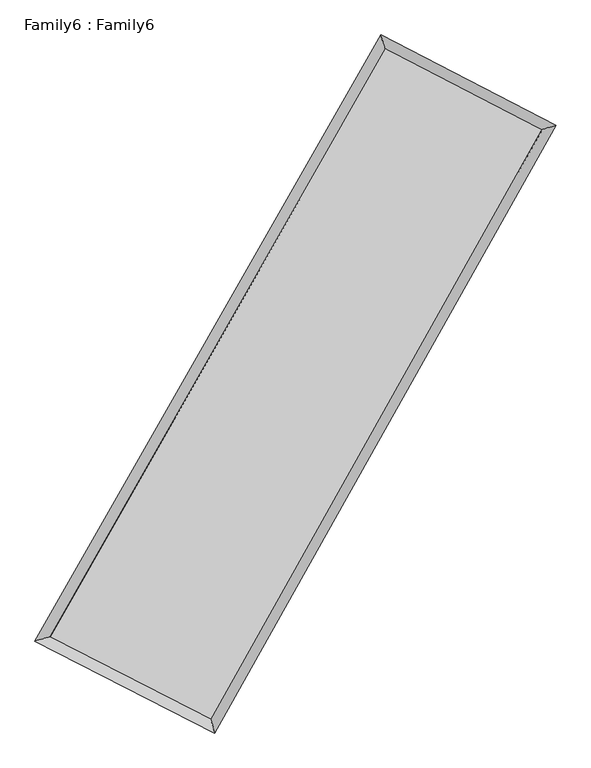
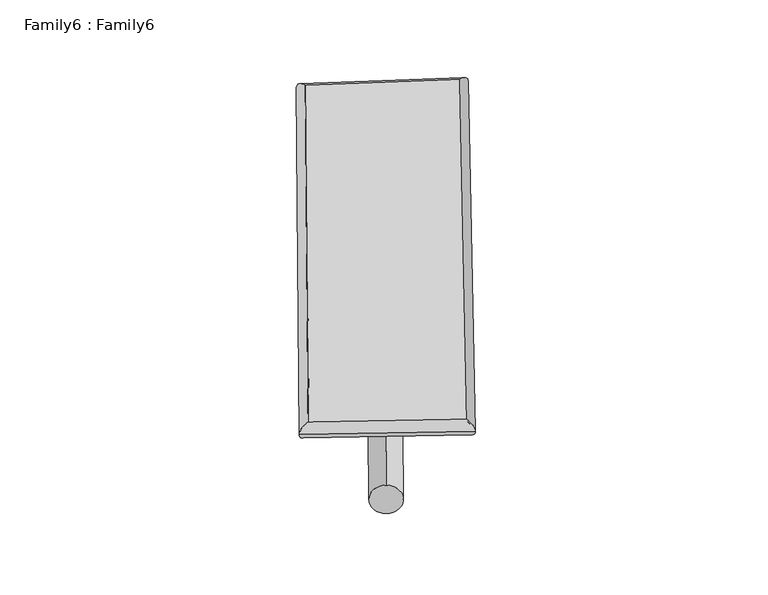
"""IFC4 building model written with IfcOpenShell, lengths in millimetres: plate geometry, Family6 : Family6."""

from ifc_helpers import new_model, si_unit, point, frame, origin, origin_2d, place, context, project, spatial, circle_curve, ellipse_curve, trimmed, segment, composite_curve, outline, extrude, source, transform, mapped, element, save
from ifc_brep_helpers import plane_surface, cylinder_surface, spline_surface, advanced_brep


def family6_family6_cff6f1fe(model_context):
    return source(origin(), model_context, "Body", "SolidModel", [
        extrude(outline(composite_curve([segment(trimmed(circle_curve(origin_2d(), 76.2), [point((-75.4341515, -10.7763073))], [point((75.4341515, 10.7763073))], False, "CARTESIAN"), True, "CONTINUOUS"), segment(trimmed(circle_curve(origin_2d(), 76.2), [point((75.4341515, 10.7763073))], [point((-75.4341515, -10.7763073))], False, "CARTESIAN"), True, "CONTINUOUS")], self_intersect=False)), frame((9144.0, 9144.0, 0.0), z_axis=(0.6688814581230292, 0.6915381955742126, 0.2727132542455031), x_axis=(-0.6832755415115199, 0.7164426993292745, -0.14087012795451728)), (0.0, 0.0, 1.0), 5655.4384309),
        extrude(outline(composite_curve([segment(trimmed(circle_curve(origin_2d(), 76.2), [point((-53.8815367, 53.8815368))], [point((53.8815367, -53.8815368))], False, "CARTESIAN"), True, "CONTINUOUS"), segment(trimmed(circle_curve(origin_2d(), 76.2), [point((53.8815367, -53.8815368))], [point((-53.8815367, 53.8815368))], False, "CARTESIAN"), True, "CONTINUOUS")], self_intersect=False)), frame((9144.0, 9144.0, 0.0), z_axis=(-0.6734926662214052, -0.6874044935851343, 0.2718137059549205), x_axis=(0.6407397013660338, -0.35952943936706877, 0.678373950945765)), (0.0, 0.0, 1.0), 5673.4720732),
        extrude(outline(composite_curve([segment(trimmed(circle_curve(origin_2d(), 76.2), [point((-53.8815367, -53.8815367))], [point((53.8815367, 53.8815367))], False, "CARTESIAN"), True, "CONTINUOUS"), segment(trimmed(circle_curve(origin_2d(), 76.2), [point((53.8815367, 53.8815367))], [point((-53.8815367, -53.8815367))], False, "CARTESIAN"), True, "CONTINUOUS")], self_intersect=False)), frame((9144.0, 9144.0, 0.0), z_axis=(0.24471233633079992, 0.9309762274208493, 0.27092274992101467), x_axis=(-0.8449776791153009, 0.3418044754180419, -0.4113179091422071)), (0.0, 0.0, 1.0), 5548.6388387),
        extrude(outline(composite_curve([segment(trimmed(circle_curve(origin_2d(), 76.2), [point((-75.4341514, 10.7763074))], [point((75.4341514, -10.7763074))], False, "CARTESIAN"), True, "CONTINUOUS"), segment(trimmed(circle_curve(origin_2d(), 76.2), [point((75.4341514, -10.7763074))], [point((-75.4341514, 10.7763074))], False, "CARTESIAN"), True, "CONTINUOUS")], self_intersect=False)), frame((9144.0, 9144.0, 0.0), z_axis=(-0.23822495950825529, -0.9326579159220137, 0.27092080122296985), x_axis=(0.8891658026558261, -0.09723085275472536, 0.4471357027346503)), (0.0, 0.0, 1.0), 5550.6030813),
        advanced_brep(
        [(5111.4976293, 5181.0309593, 1539.3543344), (5111.4518832, 5180.9702229, 1545.6229195), (5534.418704, 5307.028646, 1544.9006053), (10561.6046545, 14107.139743, 1507.1641814), (10442.0360929, 14512.1619638, 1499.3408037), (5534.4644501, 5307.0893824, 1538.6320202), (12716.7031062, 12992.0869664, 1541.8773216), (13136.9327017, 13117.8164089, 1542.7487157), (7760.5896191, 4169.5548878, 1504.4629331), (7882.8259923, 3764.8173083, 1503.084735)],
        [
            (0, 1, ellipse_curve(frame((5322.9581667, 5244.0298026, 1542.1274699), z_axis=(-0.2856000368712597, 0.9583218482650175, 0.007200977506980678), x_axis=(-0.9582527425993951, -0.28566975886051915, 0.012019574589409688)), 220.7360773, 152.4)),
            (1, 2, ellipse_curve(frame((5322.9581667, 5244.0298026, 1542.1274699), z_axis=(-0.2856000368712597, 0.9583218482650175, 0.007200977506980678), x_axis=(-0.9582527425993951, -0.28566975886051915, 0.012019574589409688)), 220.7360773, 152.4)),
            (2, 3),
            (3, 4, ellipse_curve(frame((10501.8203737, 14309.6508534, 1503.2524925), z_axis=(-0.9590159213003673, -0.2832573254221922, -0.0073314587275955245), x_axis=(0.2831493718147247, -0.9589874335368082, 0.01302058214569526)), 211.1905637, 152.4)),
            (4, 0),
            (2, 5, ellipse_curve(frame((5322.9581667, 5244.0298026, 1542.1274699), z_axis=(-0.2856000368712597, 0.9583218482650175, 0.007200977506980678), x_axis=(-0.9582527425993951, -0.28566975886051915, 0.012019574589409688)), 220.7360773, 152.4)),
            (5, 0, ellipse_curve(frame((5322.9581667, 5244.0298026, 1542.1274699), z_axis=(-0.2856000368712597, 0.9583218482650175, 0.007200977506980678), x_axis=(-0.9582527425993951, -0.28566975886051915, 0.012019574589409688)), 220.7360773, 152.4)),
            (4, 3, ellipse_curve(frame((10501.8203737, 14309.6508534, 1503.2524925), z_axis=(-0.9590159213003673, -0.2832573254221922, -0.0073314587275955245), x_axis=(0.2831493718147247, -0.9589874335368082, 0.01302058214569526)), 211.1905637, 152.4)),
            (3, 6),
            (6, 7, ellipse_curve(frame((12926.817904, 13054.9516877, 1542.3130187), z_axis=(-0.2866149789360668, 0.9580154453575388, -0.0076328438916669775), x_axis=(-0.957940927755205, -0.2866924027876046, -0.01251579463585835)), 219.331038, 152.4)),
            (7, 4),
            (7, 6, ellipse_curve(frame((12926.817904, 13054.9516877, 1542.3130187), z_axis=(-0.2866149789360668, 0.9580154453575388, -0.0076328438916669775), x_axis=(-0.957940927755205, -0.2866924027876046, -0.01251579463585835)), 219.331038, 152.4)),
            (6, 8),
            (8, 9, ellipse_curve(frame((7821.7078057, 3967.1860981, 1503.7738341), z_axis=(0.9572646370873029, 0.28913076830365714, -0.006914723584557011), x_axis=(-0.2890320666887542, 0.9572374483267202, 0.012527248164585487)), 211.4062026, 152.4)),
            (9, 7),
            (9, 8, ellipse_curve(frame((7821.7078057, 3967.1860981, 1503.7738341), z_axis=(0.9572646370873029, 0.28913076830365714, -0.006914723584557011), x_axis=(-0.2890320666887542, 0.9572374483267202, 0.012527248164585487)), 211.4062026, 152.4)),
            (8, 5),
            (1, 9),
        ],
        [
            cylinder_surface(frame((5322.9581667, 5244.0298026, 1542.1274699), z_axis=(-0.4960277196458279, -0.868298702927053, 0.003723417537319961), x_axis=(-0.868133547604006, 0.4958386237986829, -0.02209530886662372)), 152.4),
            cylinder_surface(frame((10501.8203737, 14309.6508534, 1503.2524925), z_axis=(-0.8880684617994055, 0.45948861565379606, -0.01430451823013117), x_axis=(0.45965461181633893, 0.8880174337757746, -0.011944670203002036)), 152.4),
            cylinder_surface(frame((12926.817904, 13054.9516877, 1542.3130187), z_axis=(0.48976530147183306, 0.8718464769676225, 0.003697306228778941), x_axis=(0.8718537799561515, -0.48976530147183306, -0.0009673935988089717)), 152.4),
            cylinder_surface(frame((7821.7078057, 3967.1860981, 1503.7738341), z_axis=(0.8903941155080752, -0.45498520668491454, -0.013666776008919853), x_axis=(-0.45490593910720994, -0.8904978074738792, 0.00861634778785938)), 152.4),
        ],
        [
            (0, [[1, 2, 3, 4, 5]]),
            (0, [[6, 7, -5, 8, -3]]),
            (1, [[-4, 9, 10, 11]]),
            (1, [[-8, -11, 12, -9]]),
            (2, [[-10, 13, 14, 15]]),
            (2, [[-12, -15, 16, -13]]),
            (3, [[-14, 17, -6, -2, 18]]),
            (3, [[-16, -18, -1, -7, -17]]),
        ],
    ),
        extrude(outline(composite_curve([segment(trimmed(circle_curve(origin_2d(), 304.8), [point((0.0, -304.8))], [point((0.0, 304.8))], False, "CARTESIAN"), True, "CONTINUOUS"), segment(trimmed(circle_curve(origin_2d(), 304.8), [point((0.0, 304.8))], [point((0.0, -304.8))], False, "CARTESIAN"), True, "CONTINUOUS")], self_intersect=False)), frame((6543.3944325, 4594.635146, -0.0155906), z_axis=(0.49627825942892717, 0.8681635152489092, 2.9751778318963384e-06), x_axis=(-0.8681635152536473, 0.4962782594289271, 7.90356980988528e-07)), (0.0, 0.0, 1.0), 10480.4331768),
        advanced_brep(
        [(5322.9581667, 5244.0298026, 1542.1274699), (7821.7078057, 3967.1860981, 1503.7738341), (7821.717345, 3967.1839504, 1656.1738338), (5322.967706, 5244.027655, 1694.5274695), (12926.817904, 13054.9516877, 1542.3130187), (12926.8274433, 13054.94954, 1694.7130184), (10501.8203737, 14309.6508534, 1503.2524925), (10501.829913, 14309.6487058, 1655.6524922)],
        [
            (0, 1),
            (1, 2),
            (2, 3),
            (3, 0),
            (1, 4),
            (4, 5),
            (5, 2),
            (4, 6),
            (6, 7),
            (7, 5),
            (6, 0),
            (3, 7),
        ],
        [
            plane_surface(frame((6572.3329862, 4605.6079503, 1522.950652), z_axis=(-0.45502750989998525, -0.8904773803866974, 1.5933109845582376e-05), x_axis=(0.8903941155080753, -0.4549852066849145, -0.013666776008919846))),
            plane_surface(frame((10374.2628548, 8511.0688929, 1523.0434264), z_axis=(0.871852545804304, -0.4897684499796153, -6.14745425449668e-05), x_axis=(0.4897653014718329, 0.8718464769676226, 0.0036973062287789524))),
            plane_surface(frame((11714.3191388, 13682.3012705, 1522.7827556), z_axis=(0.45953583936139636, 0.8881592267597183, -1.624797153454774e-05), x_axis=(-0.8880684617994055, 0.4594886156537961, -0.014304518230131168))),
            plane_surface(frame((7912.3892702, 9776.840328, 1522.6899812), z_axis=(-0.8683046070395097, 0.4960313554920486, 6.134072172050129e-05), x_axis=(-0.496027719645828, -0.8682987029270531, 0.003723417537319963))),
            spline_surface(1, 1, [[(7821.717345, 3967.1839504, 1656.1738338), (5322.967706, 5244.027655, 1694.5274695)], [(12926.8274433, 13054.94954, 1694.7130184), (10501.829913, 14309.6487058, 1655.6524922)]], [2, 2], [2, 2], [0.0, 1.0], [0.0, 1.0]),
            spline_surface(1, 1, [[(10501.8203737, 14309.6508534, 1503.2524925), (5322.9581667, 5244.0298026, 1542.1274699)], [(12926.817904, 13054.9516877, 1542.3130187), (7821.7078057, 3967.1860981, 1503.7738341)]], [2, 2], [2, 2], [0.0, 1.0], [0.0, 1.0]),
        ],
        [
            (0, [[1, 2, 3, 4]]),
            (1, [[5, 6, 7, -2]]),
            (2, [[8, 9, 10, -6]]),
            (3, [[11, -4, 12, -9]]),
            (4, [[-3, -7, -10, -12]]),
            (5, [[-11, -8, -5, -1]]),
        ],
    ),
    ])


if __name__ == "__main__":
    model = new_model("IFC4")
    model_context = context("Model", 3, world=origin())
    ifc_project = project(units=[si_unit("LENGTHUNIT", "METRE", prefix="MILLI")], contexts=[model_context])
    site = spatial("IfcSite", under=ifc_project)
    building = spatial("IfcBuilding", under=site)
    placement = place(None, origin())
    family6_family6_shape = family6_family6_cff6f1fe(model_context)
    element("IfcPlate", 1, ObjectType="Family6 : Family6", at=placement, inside=building, context=model_context, shape_type="MappedRepresentation", body=[
        mapped(family6_family6_shape, transform((0.0, 0.0, 0.0), x_axis=(1.0, 0.0, 0.0), y_axis=(0.0, 1.0, 0.0), z_axis=(0.0, 0.0, 1.0))),
    ])
    save(model, "model.ifc")
